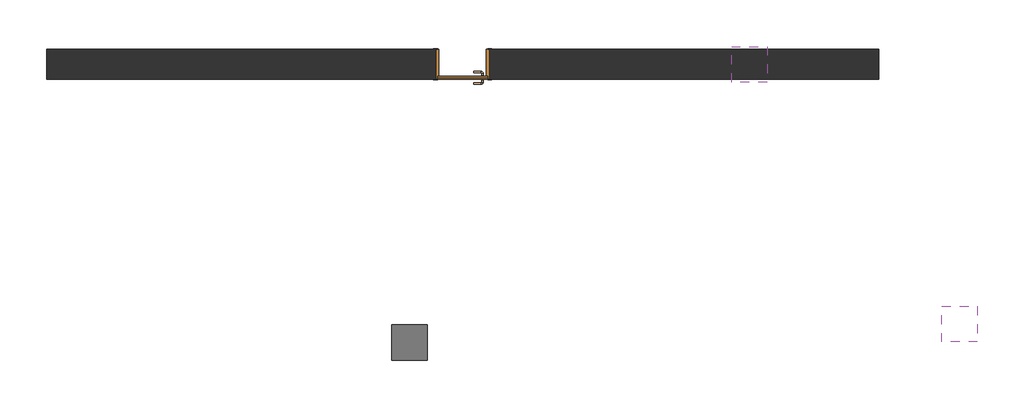
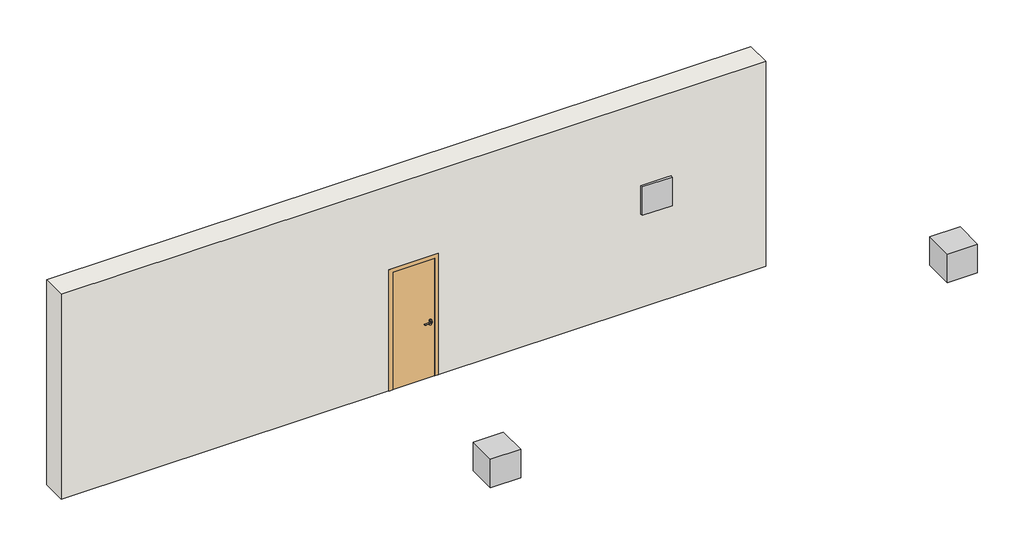
# One storey: 3 proxies, 1 door, 1 wall.
"""IFC4 building model written with IfcOpenShell, lengths in millimetres."""

import ifcopenshell
import ifcopenshell.guid

model = None  # the IFC model being written
_history = None  # IfcOwnerHistory: only IFC2X3 demands one
_inside = {}  # id of a spatial element -> (the spatial element, [elements in it])
_under = {}  # id of a project, library or spatial element -> (it, [spatial elements below it])
_declared = {}  # id of a project -> (the project, [libraries it declares])
_typed = {}  # id of a type object -> (the type object, [elements of that type])
_made_of = {}  # id of a material, layer set ... -> (it, [elements and type objects made of it])


def new_model(schema):
    """Start an empty IFC model of exactly this schema.

    Asked for "IFC4X3", IfcOpenShell would pick the latest addendum, in which some entities
    have other attributes; the version numbers below select the first issue.
    IFC2X3 requires an IfcOwnerHistory on every rooted entity: one is made here for all.
    """
    global model, _history
    if schema == "IFC4X3":
        model = ifcopenshell.file(schema_version=(4, 3, 0, 0))
    else:
        model = ifcopenshell.file(schema=schema)
    _inside.clear()
    _under.clear()
    _declared.clear()
    _typed.clear()
    _made_of.clear()
    _history = None
    if model.schema == "IFC2X3":
        org = make("IfcOrganization", Name="unknown")
        user = make(
            "IfcPersonAndOrganization",
            ThePerson=make("IfcPerson", FamilyName="unknown"),
            TheOrganization=org,
        )
        app = make(
            "IfcApplication",
            ApplicationDeveloper=org,
            Version="unknown",
            ApplicationFullName="unknown",
            ApplicationIdentifier="unknown",
        )
        _history = make(
            "IfcOwnerHistory",
            OwningUser=user,
            OwningApplication=app,
            ChangeAction="ADDED",
            CreationDate=0,
        )
    return model


def make(cls, **values):
    """One entity of the class cls with the attributes given. An attribute that is None is left unset."""
    return model.create_entity(
        cls, **{name: value for name, value in values.items() if value is not None}
    )


def rooted(cls, **values):
    """An entity with a GlobalId (a new one), such as an element, a storey or a relation."""
    return make(cls, GlobalId=ifcopenshell.guid.new(), OwnerHistory=_history, **values)


def si_unit(unit_type, name, prefix=None):
    """IfcSIUnit, for example si_unit("LENGTHUNIT", "METRE", prefix="MILLI")."""
    return make("IfcSIUnit", UnitType=unit_type, Prefix=prefix, Name=name)


def assignment(units):
    """IfcUnitAssignment: the units of a project."""
    return None if units is None else make("IfcUnitAssignment", Units=units)


def point(xyz):
    """IfcCartesianPoint."""
    return None if xyz is None else make("IfcCartesianPoint", Coordinates=xyz)


def direction(xyz):
    """IfcDirection."""
    return None if xyz is None else make("IfcDirection", DirectionRatios=xyz)


def frame(location, z_axis=None, x_axis=None):
    """IfcAxis2Placement3D, a coordinate frame: its origin and axes. An axis left out is left unset."""
    return make(
        "IfcAxis2Placement3D",
        Location=point(location),
        Axis=direction(z_axis),
        RefDirection=direction(x_axis),
    )


def frame_2d(location, x_axis=None):
    """IfcAxis2Placement2D, a coordinate frame in the plane: its origin and x axis."""
    return make(
        "IfcAxis2Placement2D", Location=point(location), RefDirection=direction(x_axis)
    )


def origin():
    """The frame at (0, 0, 0) with its axes left unset."""
    return frame((0.0, 0.0, 0.0))


def origin_with_axes():
    """The frame at (0, 0, 0) with the z axis (0, 0, 1) and the x axis (1, 0, 0) written out."""
    return frame((0.0, 0.0, 0.0), z_axis=(0.0, 0.0, 1.0), x_axis=(1.0, 0.0, 0.0))


def place(relative_to, where):
    """IfcLocalPlacement: puts the frame where relative to a parent placement (None: the world)."""
    return make(
        "IfcLocalPlacement", PlacementRelTo=relative_to, RelativePlacement=where
    )


def context(
    kind, dimensions, precision=None, world=None, true_north=None, identifier=None
):
    """IfcGeometricRepresentationContext, for example the 3D "Model" context."""
    return make(
        "IfcGeometricRepresentationContext",
        ContextIdentifier=identifier,
        ContextType=kind,
        CoordinateSpaceDimension=dimensions,
        Precision=precision,
        WorldCoordinateSystem=world,
        TrueNorth=true_north,
    )


def project(units=None, contexts=None):
    """IfcProject with its units and contexts."""
    return rooted(
        "IfcProject",
        Name="project",
        RepresentationContexts=contexts,
        UnitsInContext=assignment(units),
    )


def spatial(cls, under=None, at=None, **own):
    """A site, building, storey or space (cls), placed at a placement, below another one or the project."""
    s = rooted(cls, ObjectPlacement=at, **own)
    if under is not None:
        _under.setdefault(under.id(), (under, []))[1].append(s)
    return s


def polyline(points):
    """IfcPolyline through the points."""
    return make("IfcPolyline", Points=[point(p) for p in points])


def circle_curve(where, radius):
    """IfcCircle in the frame where."""
    return make("IfcCircle", Position=where, Radius=radius)


def ellipse_curve(where, semi_axis1, semi_axis2):
    """IfcEllipse in the frame where."""
    return make(
        "IfcEllipse", Position=where, SemiAxis1=semi_axis1, SemiAxis2=semi_axis2
    )


def trimmed(basis, trim1, trim2, sense, master):
    """IfcTrimmedCurve: the piece of a basis curve between two trims."""
    return make(
        "IfcTrimmedCurve",
        BasisCurve=basis,
        Trim1=trim1,
        Trim2=trim2,
        SenseAgreement=sense,
        MasterRepresentation=master,
    )


def segment(curve, same_sense, transition):
    """IfcCompositeCurveSegment."""
    return make(
        "IfcCompositeCurveSegment",
        Transition=transition,
        SameSense=same_sense,
        ParentCurve=curve,
    )


def composite_curve(segments, self_intersect=None):
    """IfcCompositeCurve: segments joined end to end."""
    return make("IfcCompositeCurve", Segments=segments, SelfIntersect=self_intersect)


def outline(outer, holes=None, kind="AREA"):
    """IfcArbitraryClosedProfileDef: a profile drawn as a closed curve; with holes, ...WithVoids."""
    if holes is None:
        return make("IfcArbitraryClosedProfileDef", ProfileType=kind, OuterCurve=outer)
    return make(
        "IfcArbitraryProfileDefWithVoids",
        ProfileType=kind,
        OuterCurve=outer,
        InnerCurves=holes,
    )


def extrude(swept, where, along, depth):
    """IfcExtrudedAreaSolid: the profile swept, set in the frame where, extruded along a direction by depth."""
    return make(
        "IfcExtrudedAreaSolid",
        SweptArea=swept,
        Position=where,
        ExtrudedDirection=direction(along),
        Depth=depth,
    )


def faces_of(points, faces, orient=None, outer=None):
    """IfcFace entities. A face is a list of loops; a loop is a list of indices into points, from 0.

    orient and outer hold one flag for each loop. By default every Orientation is true, the
    first loop of a face is its IfcFaceOuterBound and the others are IfcFaceBound.
    """
    made = []
    for i, loops in enumerate(faces):
        bounds = []
        for j, loop in enumerate(loops):
            is_outer = j == 0 if outer is None else outer[i][j]
            bounds.append(
                make(
                    "IfcFaceOuterBound" if is_outer else "IfcFaceBound",
                    Bound=make("IfcPolyLoop", Polygon=[points[k] for k in loop]),
                    Orientation=True if orient is None else orient[i][j],
                )
            )
        made.append(make("IfcFace", Bounds=bounds))
    return made


def faceted_brep(points, faces, orient=None, outer=None, voids=None):
    """IfcFacetedBrep: a solid bounded by flat faces; with voids (closed shells), ...WithVoids."""
    shared = [point(p) for p in points]
    hull = make("IfcClosedShell", CfsFaces=faces_of(shared, faces, orient, outer))
    if voids is None:
        return make("IfcFacetedBrep", Outer=hull)
    return make(
        "IfcFacetedBrepWithVoids",
        Outer=hull,
        Voids=[
            make(cls, CfsFaces=faces_of(shared, fs, o, b)) for cls, fs, o, b in voids
        ],
    )


def shape(context_of_items, identifier, shape_type, items):
    """IfcShapeRepresentation: the items that make up one representation, for example the "Body"."""
    return make(
        "IfcShapeRepresentation",
        ContextOfItems=context_of_items,
        RepresentationIdentifier=identifier,
        RepresentationType=shape_type,
        Items=items,
    )


def source(mapping_origin, context_of_items, identifier, shape_type, items):
    """IfcRepresentationMap: a shape defined once, which mapped items show again and again."""
    return make(
        "IfcRepresentationMap",
        MappingOrigin=mapping_origin,
        MappedRepresentation=shape(context_of_items, identifier, shape_type, items),
    )


def transform(
    local_origin,
    x_axis=None,
    y_axis=None,
    z_axis=None,
    scale=None,
    scale2=None,
    scale3=None,
    uniform=True,
):
    """IfcCartesianTransformationOperator3D, or its non-uniform kind. x_axis, y_axis, z_axis: its Axis1, 2, 3."""
    if uniform:
        return make(
            "IfcCartesianTransformationOperator3D",
            Axis1=direction(x_axis),
            Axis2=direction(y_axis),
            LocalOrigin=point(local_origin),
            Scale=scale,
            Axis3=direction(z_axis),
        )
    return make(
        "IfcCartesianTransformationOperator3DnonUniform",
        Axis1=direction(x_axis),
        Axis2=direction(y_axis),
        LocalOrigin=point(local_origin),
        Scale=scale,
        Axis3=direction(z_axis),
        Scale2=scale2,
        Scale3=scale3,
    )


def mapped(mapping_source, mapping_target):
    """IfcMappedItem: shows the shape of a source again, moved by a transform."""
    return make(
        "IfcMappedItem", MappingSource=mapping_source, MappingTarget=mapping_target
    )


def made_of(thing, what):
    """Note that an element or type object is made of a material, layer set ...; save() writes the relation."""
    if what is not None:
        _made_of.setdefault(what.id(), (what, []))[1].append(thing)
    return thing


def element(
    cls,
    number,
    at=None,
    inside=None,
    cuts=None,
    type_object=None,
    material=None,
    context=None,
    identifier="Body",
    shape_type=None,
    held_by="IfcProductDefinitionShape",
    body=None,
    shapes=None,
    **own,
):
    """One element of the class cls, such as IfcWall. Its Tag is "e" and its number.

    at: its placement. inside: the storey or other place that contains it. cuts: it is an
    opening in that element (IfcRelVoidsElement). A single representation is given by context,
    identifier, shape_type and body (its items); several are given by shapes. held_by: the class
    of the entity that holds the representations. save() writes the other relations.
    """
    e = rooted(cls, Tag="e%d" % number, ObjectPlacement=at, **own)
    if body is not None:
        shapes = [shape(context, identifier, shape_type, body)]
    if shapes is not None:
        e.Representation = make(held_by, Representations=shapes)
    if inside is not None:
        _inside.setdefault(inside.id(), (inside, []))[1].append(e)
    if cuts is not None:
        rooted(
            "IfcRelVoidsElement", RelatingBuildingElement=cuts, RelatedOpeningElement=e
        )
    if type_object is not None:
        _typed.setdefault(type_object.id(), (type_object, []))[1].append(e)
    return made_of(e, material)


def aggregate(whole, parts):
    """IfcRelAggregates: a whole, such as a stair, and the parts it consists of."""
    return rooted("IfcRelAggregates", RelatingObject=whole, RelatedObjects=parts)


def save(model, path):
    """Write the relations noted so far, then the file.

    IfcRelAggregates (storeys below a building ...), IfcRelContainedInSpatialStructure (elements
    in a storey), IfcRelDefinesByType, IfcRelAssociatesMaterial and IfcRelDeclares: one each for
    every whole, place, type object, material and project.
    """
    for whole, parts in _under.values():
        aggregate(whole, parts)
    for where, things in _inside.values():
        rooted(
            "IfcRelContainedInSpatialStructure",
            RelatedElements=things,
            RelatingStructure=where,
        )
    for kind, things in _typed.values():
        rooted("IfcRelDefinesByType", RelatedObjects=things, RelatingType=kind)
    for what, things in _made_of.values():
        rooted("IfcRelAssociatesMaterial", RelatedObjects=things, RelatingMaterial=what)
    for by, libraries in _declared.values():
        rooted("IfcRelDeclares", RelatingContext=by, RelatedDefinitions=libraries)
    model.write(path)


def plane_surface(at):
    """IfcPlane: the flat surface through the origin of the frame at, square to its z axis."""
    return make("IfcPlane", Position=at)


def cylinder_surface(at, radius):
    """IfcCylindricalSurface: all points at the distance radius from the z axis of the frame at."""
    return make("IfcCylindricalSurface", Position=at, Radius=radius)


def revolved_surface(curve, axis_point, axis_direction):
    """IfcSurfaceOfRevolution: the curve turned about the line through axis_point along axis_direction."""
    return make(
        "IfcSurfaceOfRevolution",
        SweptCurve=make("IfcArbitraryOpenProfileDef", ProfileType="CURVE", Curve=curve),
        AxisPosition=make("IfcAxis1Placement", Location=point(axis_point), Axis=direction(axis_direction)),
    )


def advanced_brep(points, edges, surfaces, faces):
    """IfcAdvancedBrep: a solid bounded by faces that lie on surfaces and meet in shared edges.

    An edge is (start, end): straight between two places in points (the first is 0);
    or (start, end, curve); or (start, end, curve, False) where it runs against its curve.
    A face is (place in surfaces, loops), or (place, loops, False) where it looks against
    its surface's normal. A loop lists edges by number (the first is 1), with a minus sign
    where the edge is run from its end to its start. The first loop is the outer one.
    """
    corners = [point(p) for p in points]
    vertices = [make("IfcVertexPoint", VertexGeometry=c) for c in corners]
    made = []
    for start, end, *more in edges:
        made.append(
            make(
                "IfcEdgeCurve",
                EdgeStart=vertices[start],
                EdgeEnd=vertices[end],
                EdgeGeometry=more[0] if more else make("IfcPolyline", Points=[corners[start], corners[end]]),
                SameSense=more[1] if len(more) > 1 else True,
            )
        )
    hull = []
    for where, loops, *sense in faces:
        bounds = []
        for j, loop in enumerate(loops):
            ring = [make("IfcOrientedEdge", EdgeElement=made[abs(k) - 1], Orientation=k > 0) for k in loop]
            bounds.append(
                make(
                    "IfcFaceOuterBound" if j == 0 else "IfcFaceBound",
                    Bound=make("IfcEdgeLoop", EdgeList=ring),
                    Orientation=True,
                )
            )
        hull.append(make("IfcAdvancedFace", Bounds=bounds, FaceSurface=surfaces[where], SameSense=sense[0] if sense else True))
    return make("IfcAdvancedBrep", Outer=make("IfcClosedShell", CfsFaces=hull))


def communication_devices_af5cb44b(model_context):
    return source(origin(), model_context, "Body", "SweptSolid", [
        extrude(outline(polyline([(250.0, 250.0), (250.0, -250.0), (-250.0, -250.0), (-250.0, 250.0), (250.0, 250.0)])), origin_with_axes(), (0.0, 0.0, 1.0), 500.0),
    ])


def door_f90213ad(model_context):
    return source(origin(), model_context, "Body", "SolidModel", [
        advanced_brep(
        [(-300.0, 216.5831809, 1000.0), (-260.0, 216.5831809, 1000.0), (-290.0, 216.5831809, 1000.0), (-270.0, 216.5831809, 1000.0), (-300.0, 210.0, 1000.0), (-260.0, 210.0, 1000.0), (-155.0, 280.6350833, 1000.0), (-155.0, 260.6350833, 1000.0), (-290.0, 250.6350833, 1000.0), (-270.0, 250.6350833, 1000.0), (-260.0, 260.6350833, 1000.0), (-260.0, 280.6350833, 1000.0)],
        [
            (0, 1, circle_curve(frame((-280.0, 216.5831809, 1000.0), z_axis=(0.0, 1.0, 0.0), x_axis=(1.0, 0.0, 0.0)), 20.0)),
            (1, 0, circle_curve(frame((-280.0, 216.5831809, 1000.0), z_axis=(0.0, 1.0, 0.0), x_axis=(1.0, 0.0, 0.0)), 20.0)),
            (2, 3, circle_curve(frame((-280.0, 216.5831809, 1000.0), z_axis=(0.0, -1.0, 0.0), x_axis=(1.0, 0.0, 0.0)), 10.0)),
            (3, 2, circle_curve(frame((-280.0, 216.5831809, 1000.0), z_axis=(0.0, -1.0, 0.0), x_axis=(1.0, 0.0, 0.0)), 10.0)),
            (4, 5, circle_curve(frame((-280.0, 210.0, 1000.0), z_axis=(0.0, -1.0, 0.0), x_axis=(1.0, 0.0, 0.0)), 20.0)),
            (5, 4, circle_curve(frame((-280.0, 210.0, 1000.0), z_axis=(0.0, -1.0, 0.0), x_axis=(1.0, 0.0, 0.0)), 20.0)),
            (1, 5),
            (4, 0),
            (6, 7, circle_curve(frame((-155.0, 270.6350833, 1000.0), z_axis=(1.0, 0.0, 0.0), x_axis=(0.0, -1.0, 0.0)), 10.0)),
            (7, 6, circle_curve(frame((-155.0, 270.6350833, 1000.0), z_axis=(1.0, 0.0, 0.0), x_axis=(0.0, -1.0, 0.0)), 10.0)),
            (8, 2),
            (3, 9),
            (9, 8, circle_curve(frame((-280.0, 250.6350833, 1000.0), z_axis=(0.0, -1.0, 0.0), x_axis=(1.0, 0.0, 0.0)), 10.0)),
            (8, 9, circle_curve(frame((-280.0, 250.6350833, 1000.0), z_axis=(0.0, -1.0, 0.0), x_axis=(1.0, 0.0, 0.0)), 10.0)),
            (9, 10, circle_curve(frame((-260.0, 250.6350833, 1000.0), z_axis=(0.0, 0.0, -1.0), x_axis=(-1.0, 0.0, 0.0)), 10.0)),
            (10, 11, circle_curve(frame((-260.0, 270.6350833, 1000.0), z_axis=(-1.0, 0.0, 0.0), x_axis=(0.0, -1.0, 0.0)), 10.0)),
            (11, 8, circle_curve(frame((-260.0, 250.6350833, 1000.0), z_axis=(0.0, 0.0, 1.0), x_axis=(-1.0, 0.0, 0.0)), 30.0)),
            (11, 10, circle_curve(frame((-260.0, 270.6350833, 1000.0), z_axis=(-1.0, 0.0, 0.0), x_axis=(0.0, -1.0, 0.0)), 10.0)),
            (6, 11),
            (10, 7),
        ],
        [
            plane_surface(frame((-260.0, 216.5831809, 1000.0), z_axis=(0.0, 1.0, 0.0), x_axis=(0.0, 0.0, 1.0))),
            plane_surface(frame((-260.0, 210.0, 1000.0), z_axis=(0.0, -1.0, 0.0), x_axis=(0.0, 0.0, -1.0))),
            cylinder_surface(frame((-280.0, 210.0, 1000.0), z_axis=(0.0, 1.0, 0.0), x_axis=(1.0, 0.0, 0.0)), 20.0),
            plane_surface(frame((-155.0, 270.6350833, 1000.0), z_axis=(1.0, 0.0, 0.0), x_axis=(0.0, 0.0, -1.0))),
            cylinder_surface(frame((-280.0, 210.0, 1000.0), z_axis=(0.0, -1.0, 0.0), x_axis=(1.0, 0.0, 0.0)), 10.0),
            revolved_surface(trimmed(ellipse_curve(frame((-280.0, 250.6350833, 1000.0), z_axis=(0.0, 1.0, 0.0), x_axis=(1.0, 0.0, 0.0)), 10.0, 10.0), [point((-290.0, 250.6350833, 1000.0))], [point((-270.0, 250.6350833, 1000.0))], True, "CARTESIAN"), (-260.0, 250.6350833, 1000.0), (0.0, 0.0, 1.0)),
            revolved_surface(trimmed(ellipse_curve(frame((-280.0, 250.6350833, 1000.0), z_axis=(0.0, 1.0, 0.0), x_axis=(1.0, 0.0, 0.0)), 10.0, 10.0), [point((-270.0, 250.6350833, 1000.0))], [point((-290.0, 250.6350833, 1000.0))], True, "CARTESIAN"), (-260.0, 250.6350833, 1000.0), (0.0, 0.0, 1.0)),
            cylinder_surface(frame((-260.0, 270.6350833, 1000.0), z_axis=(-1.0, 0.0, 0.0), x_axis=(0.0, -1.0, 0.0)), 10.0),
        ],
        [
            (0, [[1, 2], [3, 4]]),
            (1, [[5, 6]]),
            (2, [[7, -5, 8, -2]]),
            (2, [[-8, -6, -7, -1]]),
            (3, [[9, 10]]),
            (4, [[11, -4, 12, 13]]),
            (4, [[-12, -3, -11, 14]]),
            (5, [[15, 16, 17, -13]]),
            (6, [[-17, 18, -15, -14]]),
            (7, [[19, -16, 20, -9]]),
            (7, [[-20, -18, -19, -10]]),
        ],
    ),
        extrude(outline(composite_curve([segment(trimmed(circle_curve(frame_2d((940.0, -280.0)), 20.0), [point((940.0, -300.0))], [point((940.0, -260.0))], False, "CARTESIAN"), True, "CONTINUOUS"), segment(trimmed(circle_curve(frame_2d((940.0, -280.0)), 20.0), [point((940.0, -260.0))], [point((940.0, -300.0))], False, "CARTESIAN"), True, "CONTINUOUS")], self_intersect=False)), frame((0.0, 210.0, 0.0), z_axis=(0.0, 1.0, 0.0), x_axis=(0.0, 0.0, 1.0)), (0.0, 0.0, 1.0), 6.5831809),
        advanced_brep(
        [(-300.0, 163.4168191, 1000.0), (-260.0, 163.4168191, 1000.0), (-290.0, 163.4168191, 1000.0), (-270.0, 163.4168191, 1000.0), (-300.0, 170.0, 1000.0), (-260.0, 170.0, 1000.0), (-155.0, 99.3649167, 1000.0), (-155.0, 119.3649167, 1000.0), (-290.0, 129.3649167, 1000.0), (-270.0, 129.3649167, 1000.0), (-260.0, 99.3649167, 1000.0), (-260.0, 119.3649167, 1000.0)],
        [
            (0, 1, circle_curve(frame((-280.0, 163.4168191, 1000.0), z_axis=(0.0, -1.0, 0.0), x_axis=(1.0, 0.0, 0.0)), 20.0)),
            (1, 0, circle_curve(frame((-280.0, 163.4168191, 1000.0), z_axis=(0.0, -1.0, 0.0), x_axis=(1.0, 0.0, 0.0)), 20.0)),
            (2, 3, circle_curve(frame((-280.0, 163.4168191, 1000.0), z_axis=(0.0, 1.0, 0.0), x_axis=(1.0, 0.0, 0.0)), 10.0)),
            (3, 2, circle_curve(frame((-280.0, 163.4168191, 1000.0), z_axis=(0.0, 1.0, 0.0), x_axis=(1.0, 0.0, 0.0)), 10.0)),
            (4, 5, circle_curve(frame((-280.0, 170.0, 1000.0), z_axis=(0.0, 1.0, 0.0), x_axis=(1.0, 0.0, 0.0)), 20.0)),
            (5, 4, circle_curve(frame((-280.0, 170.0, 1000.0), z_axis=(0.0, 1.0, 0.0), x_axis=(1.0, 0.0, 0.0)), 20.0)),
            (0, 4),
            (5, 1),
            (6, 7, circle_curve(frame((-155.0, 109.3649167, 1000.0), z_axis=(1.0, 0.0, 0.0), x_axis=(0.0, 1.0, 0.0)), 10.0)),
            (7, 6, circle_curve(frame((-155.0, 109.3649167, 1000.0), z_axis=(1.0, 0.0, 0.0), x_axis=(0.0, 1.0, 0.0)), 10.0)),
            (8, 9, circle_curve(frame((-280.0, 129.3649167, 1000.0), z_axis=(0.0, 1.0, 0.0), x_axis=(1.0, 0.0, 0.0)), 10.0)),
            (9, 3),
            (2, 8),
            (9, 8, circle_curve(frame((-280.0, 129.3649167, 1000.0), z_axis=(0.0, 1.0, 0.0), x_axis=(1.0, 0.0, 0.0)), 10.0)),
            (8, 10, circle_curve(frame((-260.0, 129.3649167, 1000.0), z_axis=(0.0, 0.0, 1.0), x_axis=(-1.0, 0.0, 0.0)), 30.0)),
            (10, 11, circle_curve(frame((-260.0, 109.3649167, 1000.0), z_axis=(-1.0, 0.0, 0.0), x_axis=(0.0, 1.0, 0.0)), 10.0)),
            (11, 9, circle_curve(frame((-260.0, 129.3649167, 1000.0), z_axis=(0.0, 0.0, -1.0), x_axis=(-1.0, 0.0, 0.0)), 10.0)),
            (11, 10, circle_curve(frame((-260.0, 109.3649167, 1000.0), z_axis=(-1.0, 0.0, 0.0), x_axis=(0.0, 1.0, 0.0)), 10.0)),
            (7, 11),
            (10, 6),
        ],
        [
            plane_surface(frame((-260.0, 163.4168191, 1000.0), z_axis=(0.0, -1.0, 0.0), x_axis=(0.0, 0.0, 1.0))),
            plane_surface(frame((-260.0, 170.0, 1000.0), z_axis=(0.0, 1.0, 0.0), x_axis=(0.0, 0.0, -1.0))),
            cylinder_surface(frame((-280.0, 170.0, 1000.0), z_axis=(0.0, -1.0, 0.0), x_axis=(1.0, 0.0, 0.0)), 20.0),
            plane_surface(frame((-155.0, 109.3649167, 1000.0), z_axis=(1.0, 0.0, 0.0), x_axis=(0.0, 0.0, -1.0))),
            cylinder_surface(frame((-280.0, 170.0, 1000.0), z_axis=(0.0, 1.0, 0.0), x_axis=(1.0, 0.0, 0.0)), 10.0),
            revolved_surface(trimmed(ellipse_curve(frame((-280.0, 129.3649167, 1000.0), z_axis=(0.0, 1.0, 0.0), x_axis=(1.0, 0.0, 0.0)), 10.0, 10.0), [point((-290.0, 129.3649167, 1000.0))], [point((-270.0, 129.3649167, 1000.0))], True, "CARTESIAN"), (-260.0, 129.3649167, 1000.0), (0.0, 0.0, 1.0)),
            revolved_surface(trimmed(ellipse_curve(frame((-280.0, 129.3649167, 1000.0), z_axis=(0.0, 1.0, 0.0), x_axis=(1.0, 0.0, 0.0)), 10.0, 10.0), [point((-270.0, 129.3649167, 1000.0))], [point((-290.0, 129.3649167, 1000.0))], True, "CARTESIAN"), (-260.0, 129.3649167, 1000.0), (0.0, 0.0, 1.0)),
            cylinder_surface(frame((-260.0, 109.3649167, 1000.0), z_axis=(-1.0, 0.0, 0.0), x_axis=(0.0, 1.0, 0.0)), 10.0),
        ],
        [
            (0, [[1, 2], [3, 4]]),
            (1, [[5, 6]]),
            (2, [[-1, 7, -6, 8]]),
            (2, [[-2, -8, -5, -7]]),
            (3, [[9, 10]]),
            (4, [[11, 12, -3, 13]]),
            (4, [[14, -13, -4, -12]]),
            (5, [[-11, 15, 16, 17]]),
            (6, [[-14, -17, 18, -15]]),
            (7, [[-10, 19, -16, 20]]),
            (7, [[-9, -20, -18, -19]]),
        ],
    ),
        extrude(outline(composite_curve([segment(trimmed(circle_curve(frame_2d((940.0, -280.0)), 20.0), [point((940.0, -300.0))], [point((940.0, -260.0))], False, "CARTESIAN"), True, "CONTINUOUS"), segment(trimmed(circle_curve(frame_2d((940.0, -280.0)), 20.0), [point((940.0, -260.0))], [point((940.0, -300.0))], False, "CARTESIAN"), True, "CONTINUOUS")], self_intersect=False)), frame((0.0, 163.4168191, 0.0), z_axis=(0.0, 1.0, 0.0), x_axis=(0.0, 0.0, 1.0)), (0.0, 0.0, 1.0), 6.5831809),
        extrude(outline(polyline([(-350.0, 190.0), (350.0, 190.0), (350.0, 170.0), (-350.0, 170.0), (-350.0, 190.0)])), origin_with_axes(), (0.0, 0.0, 1.0), 2070.0),
        extrude(outline(polyline([(350.0, 190.0), (-350.0, 190.0), (-350.0, 210.0), (350.0, 210.0), (350.0, 190.0)])), origin_with_axes(), (0.0, 0.0, 1.0), 2070.0),
        extrude(outline(polyline([(0.0, -350.0), (2070.0, -350.0), (2070.0, 350.0), (0.0, 350.0), (0.0, 410.0), (2130.0, 410.0), (2130.0, -410.0), (0.0, -410.0), (0.0, -350.0)])), frame((0.0, 210.0, 0.0), z_axis=(0.0, 1.0, 0.0), x_axis=(0.0, 0.0, 1.0)), (0.0, 0.0, 1.0), 8.0),
        extrude(outline(polyline([(0.0, -410.0), (0.0, -350.0), (2070.0, -350.0), (2070.0, 350.0), (0.0, 350.0), (0.0, 410.0), (2130.0, 410.0), (2130.0, -410.0), (0.0, -410.0)])), frame((0.0, -218.0, 0.0), z_axis=(0.0, 1.0, 0.0), x_axis=(0.0, 0.0, 1.0)), (0.0, 0.0, 1.0), 8.0),
        faceted_brep([(-350.0, 170.0, 0.0), (-335.0, 170.0, 0.0), (-335.0, -210.0, 0.0), (-380.0, -210.0, 0.0), (-380.0, 210.0, 0.0), (-350.0, 210.0, 0.0), (-350.0, 170.0, 2070.0), (350.0, 170.0, 2070.0), (350.0, 170.0, 0.0), (335.0, 170.0, 0.0), (335.0, 170.0, 2055.0), (-335.0, 170.0, 2055.0), (-335.0, -210.0, 2055.0), (335.0, -210.0, 2055.0), (335.0, -210.0, 0.0), (380.0, -210.0, 0.0), (380.0, -210.0, 2100.0), (-380.0, -210.0, 2100.0), (-380.0, 210.0, 2100.0), (380.0, 210.0, 2100.0), (380.0, 210.0, 0.0), (350.0, 210.0, 0.0), (350.0, 210.0, 2070.0), (-350.0, 210.0, 2070.0)], [[[0, 1, 2, 3, 4, 5]], [[1, 0, 6, 7, 8, 9, 10, 11]], [[2, 1, 11, 12]], [[3, 2, 12, 13, 14, 15, 16, 17]], [[4, 3, 17, 18]], [[5, 4, 18, 19, 20, 21, 22, 23]], [[0, 5, 23, 6]], [[12, 11, 10, 13]], [[18, 17, 16, 19]], [[6, 23, 22, 7]], [[8, 21, 20, 15, 14, 9]], [[13, 10, 9, 14]], [[19, 16, 15, 20]], [[7, 22, 21, 8]]]),
    ])


model = new_model("IFC4")

# Units and contexts
model_context = context("Model", 3, world=origin())
ifc_project = project(units=[si_unit("LENGTHUNIT", "METRE", prefix="MILLI")], contexts=[model_context])

# Site, building, storey
site = spatial("IfcSite", under=ifc_project)
building = spatial("IfcBuilding", under=site)
storey = spatial("IfcBuildingStorey", under=building, Elevation=-3600.0)

# Proxies
placement = place(None, origin())
communication_devices_shape = communication_devices_af5cb44b(model_context)
element("IfcBuildingElementProxy", 1, Name="Communication Devices", at=placement, inside=storey, context=model_context, shape_type="MappedRepresentation", body=[
    mapped(communication_devices_shape, transform((32015.3646454, 9883.9865043, -1962.7270837), x_axis=(1.0, 0.0, 0.0), y_axis=(0.0, 1.0, 0.0), z_axis=(0.0, 0.0, 1.0))),
])
element("IfcBuildingElementProxy", 2, Name="Communication Devices", at=placement, inside=storey, context=model_context, shape_type="MappedRepresentation", body=[
    mapped(communication_devices_shape, transform((34973.1704833, 6231.4004855, -1962.7270837), x_axis=(1.0, 0.0, 0.0), y_axis=(0.0, 1.0, 0.0), z_axis=(0.0, 0.0, 1.0))),
])
element("IfcBuildingElementProxy", 3, Name="Communication Devices", at=placement, inside=storey, context=model_context, shape_type="MappedRepresentation", body=[
    mapped(communication_devices_shape, transform((27235.3646454, 5973.9865043, -2700.0), x_axis=(1.0, 0.0, 0.0), y_axis=(0.0, 1.0, 0.0), z_axis=(0.0, 0.0, 1.0))),
])

# Door
door_shape = door_f90213ad(model_context)
element("IfcDoor", 4, at=placement, inside=storey, context=model_context, shape_type="MappedRepresentation", body=[
    mapped(door_shape, transform((27985.3646454, 9883.9865043, -3600.0), x_axis=(-1.0, 0.0, 0.0), y_axis=(0.0, -1.0, 0.0), z_axis=(0.0, 0.0, 1.0))),
])

# Wall
element("IfcWall", 5, at=placement, inside=storey, context=model_context, shape_type="SweptSolid", body=[
    extrude(outline(polyline([(0.0, 22135.3646454), (-3600.0, 22135.3646454), (-3600.0, 27605.3646454), (-1500.0, 27605.3646454), (-1500.0, 28365.3646454), (-3600.0, 28365.3646454), (-3600.0, 33835.3646454), (0.0, 33835.3646454), (0.0, 22135.3646454)]), holes=[polyline([(-1462.7270837, 31765.3646454), (-1462.7270837, 32265.3646454), (-1962.7270837, 32265.3646454), (-1962.7270837, 31765.3646454), (-1462.7270837, 31765.3646454)])]), frame((0.0, 9673.9865043, 0.0), z_axis=(0.0, 1.0, 0.0), x_axis=(0.0, 0.0, 1.0)), (0.0, 0.0, 1.0), 420.0),
])

save(model, "model.ifc")
